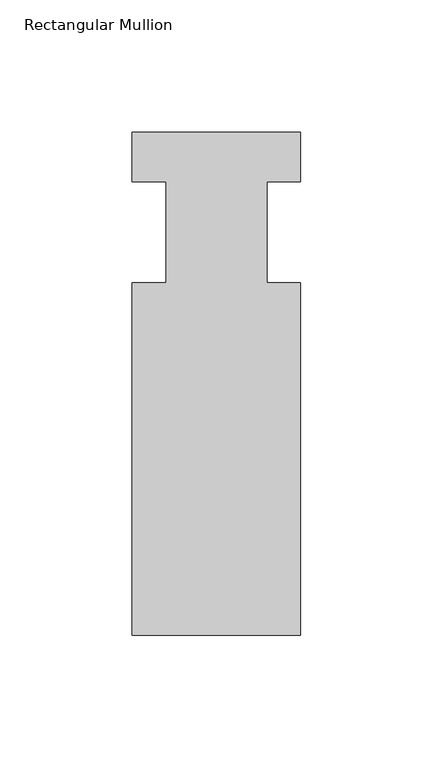
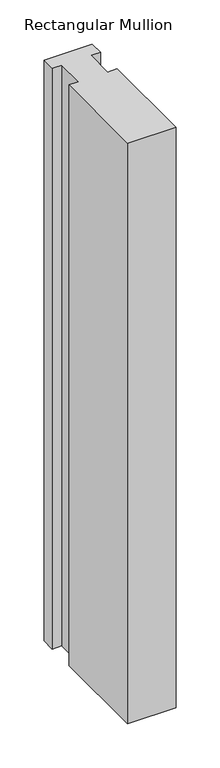
"""IFC4 building model written with IfcOpenShell, lengths in millimetres: member geometry, Rectangular Mullion."""

from ifc_helpers import new_model, si_unit, frame, origin, place, context, project, spatial, polyline, outline, extrude, source, transform, mapped, element, save


def rectangular_mullion_5f47e9c1(model_context):
    return source(origin(), model_context, "Body", "SweptSolid", [
        extrude(outline(polyline([(31.75, -151.9936), (-31.75, -151.9936), (-31.75, -19.05), (-19.05, -19.05), (-19.05, 19.05), (-31.75, 19.05), (-31.75, 37.6936), (31.75, 37.6936), (31.75, 19.05), (19.0499746, 19.05), (19.0499746, -19.05), (31.75, -19.05), (31.75, -151.9936)])), frame((0.0, 0.0, -804.8713402), z_axis=(0.0, 0.0, 1.0), x_axis=(1.0, 0.0, 0.0)), (0.0, 0.0, 1.0), 804.8713402),
    ])


if __name__ == "__main__":
    model = new_model("IFC4")
    model_context = context("Model", 3, world=origin())
    ifc_project = project(units=[si_unit("LENGTHUNIT", "METRE", prefix="MILLI")], contexts=[model_context])
    site = spatial("IfcSite", under=ifc_project)
    building = spatial("IfcBuilding", under=site)
    placement = place(None, origin())
    rectangular_mullion_shape = rectangular_mullion_5f47e9c1(model_context)
    element("IfcMember", 1, ObjectType="Rectangular Mullion", at=placement, inside=building, context=model_context, shape_type="MappedRepresentation", body=[
        mapped(rectangular_mullion_shape, transform((0.0, 0.0, 0.0), x_axis=(1.0, 0.0, 0.0), y_axis=(0.0, 1.0, 0.0), z_axis=(0.0, 0.0, 1.0))),
    ])
    save(model, "model.ifc")
